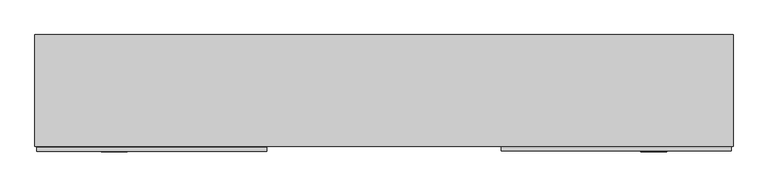
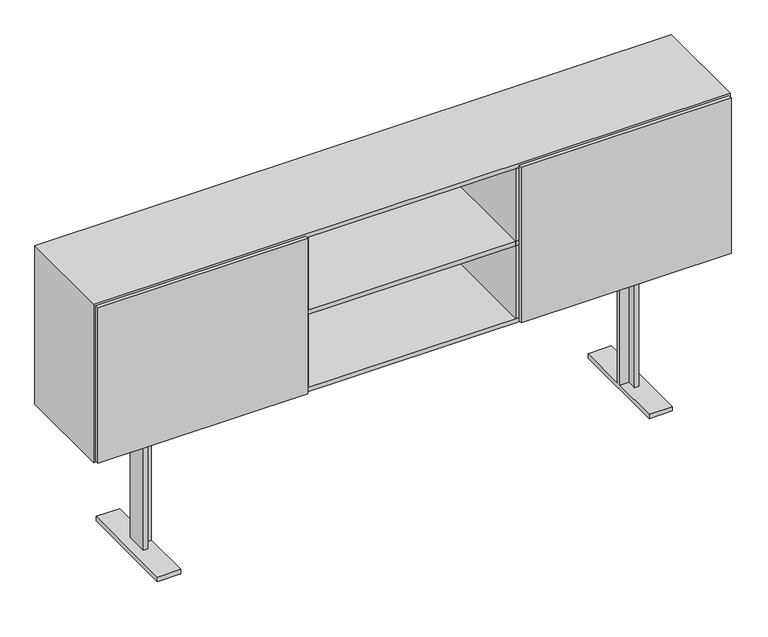
"""IFC4 building model written with IfcOpenShell, lengths in millimetres: furniture geometry."""

from ifc_helpers import new_model, si_unit, frame, origin, place, context, project, spatial, polyline, outline, extrude, faceted_brep, source, transform, mapped, element, save


def furniture_0869c646(model_context):
    return source(origin(), model_context, "Body", "SolidModel", [
        extrude(outline(polyline([(-453.0720026, 14.0619413), (-453.0720026, -0.9392987), (-1343.025, -0.9392987), (-1343.025, 14.0619413), (-453.0720026, 14.0619413)])), frame((0.0, 0.0, 615.95), z_axis=(0.0, 0.0, 1.0), x_axis=(1.0, 0.0, 0.0)), (0.0, 0.0, 1.0), 698.5),
        extrude(outline(polyline([(1343.025, 15.9405387), (1343.025, 0.9392987), (453.0720026, 0.9392987), (453.0720026, 15.9405387), (1343.025, 15.9405387)])), frame((0.0, 0.0, 615.95), z_axis=(0.0, 0.0, 1.0), x_axis=(1.0, 0.0, 0.0)), (0.0, 0.0, 1.0), 698.5),
        extrude(outline(polyline([(1330.325, 19.0420174), (-1330.325, 19.0420174), (-1330.325, 431.8), (1330.325, 431.8), (1330.325, 19.0420174)])), frame((0.0, 0.0, 955.675), z_axis=(0.0, 0.0, 1.0), x_axis=(1.0, 0.0, 0.0)), (0.0, 0.0, 1.0), 19.05),
        extrude(outline(polyline([(459.3166667, 19.0739478), (440.2666667, 19.0739478), (440.2666667, 423.0566059), (459.3166667, 423.0566059), (459.3166667, 19.0739478)])), frame((0.0, 0.0, 628.65), z_axis=(0.0, 0.0, 1.0), x_axis=(1.0, 0.0, 0.0)), (0.0, 0.0, 1.0), 673.1),
        extrude(outline(polyline([(-440.2666667, 19.0739478), (-459.3166667, 19.0739478), (-459.3166667, 423.0566059), (-440.2666667, 423.0566059), (-440.2666667, 19.0739478)])), frame((0.0, 0.0, 628.65), z_axis=(0.0, 0.0, 1.0), x_axis=(1.0, 0.0, 0.0)), (0.0, 0.0, 1.0), 673.1),
        faceted_brep([(1349.375, 19.0420174, 1320.8), (-1349.375, 19.0420174, 1320.8), (-1349.375, 19.0420174, 609.6), (1349.375, 19.0420174, 609.6), (-1330.325, 19.0420174, 1301.75), (1330.325, 19.0420174, 1301.75), (1330.325, 19.0420174, 628.65), (-1330.325, 19.0420174, 628.65), (1349.375, 450.85, 1320.8), (1349.375, 450.85, 609.6), (-1349.375, 450.85, 609.6), (-1349.375, 450.85, 1320.8), (-1330.325, 431.8, 1301.75), (1330.325, 431.8, 1301.75), (1330.325, 431.8, 628.65), (-1330.325, 431.8, 628.65)], [[[0, 1, 2, 3], [4, 5, 6, 7]], [[8, 9, 10, 11]], [[1, 0, 8, 11]], [[2, 1, 11, 10]], [[3, 2, 10, 9]], [[0, 3, 9, 8]], [[5, 4, 12, 13]], [[6, 5, 13, 14]], [[7, 6, 14, 15]], [[4, 7, 15, 12]], [[13, 12, 15, 14]]]),
        faceted_brep([(-1050.8500108, 171.1108775, 609.6), (-1031.8000108, 171.1108775, 609.6), (-1031.8000108, 211.6109348, 609.6), (1031.8000108, 211.6109348, 609.6), (1031.8000108, 171.1108775, 609.6), (1050.8500108, 171.1108775, 609.6), (1050.8500108, 269.1160418, 609.6), (1031.8000108, 269.1160418, 609.6), (1031.8000108, 230.9134, 609.6), (-1031.8000108, 230.9134, 609.6), (-1031.8000108, 269.1160418, 609.6), (-1050.8500108, 269.1160418, 609.6), (-1050.8500108, 171.1108775, 19.8859728), (-1031.8000108, 171.1108775, 19.8859728), (-1031.8000108, 211.6109348, 19.8859728), (-993.3499595, 211.6109348, 558.8), (993.3499595, 211.6109348, 558.8), (993.3499595, 211.6109348, 19.8859728), (1031.8000108, 211.6109348, 19.8859728), (-993.3499595, 211.6109348, 19.8859728), (-993.3499595, 230.9134, 558.8), (-993.3499595, -3.1790836, 19.8859728), (-993.3499595, -3.1790836, 0.0), (-993.3499595, 445.4008393, 0.0), (-993.3499595, 445.4008393, 19.8859728), (-993.3499595, 230.9134, 19.8859728), (993.3499595, 230.9134, 558.8), (-1031.8000108, 230.9134, 19.8859728), (1031.8000108, 230.9134, 19.8859728), (993.3499595, 230.9134, 19.8859728), (-1031.8000108, 269.1160418, 19.8859728), (-1050.8500108, 269.1160418, 19.8859728), (1031.8000108, 171.1108775, 19.8859728), (1050.8500108, 171.1108775, 19.8859728), (993.3499595, 445.4008393, 19.8859728), (993.3499595, 445.4008393, 0.0), (993.3499595, -3.1790836, 0.0), (993.3499595, -3.1790836, 19.8859728), (1031.8000108, 269.1160418, 19.8859728), (1050.8500108, 269.1160418, 19.8859728), (-1092.3500213, 445.4008393, 19.8859728), (-1092.3500213, -3.1790836, 19.8859728), (-1092.3500213, -3.1790836, 0.0), (-1092.3500213, 445.4008393, 0.0), (1092.3500213, -3.1790836, 19.8859728), (1092.3500213, 445.4008393, 19.8859728), (1092.3500213, 445.4008393, 0.0), (1092.3500213, -3.1790836, 0.0)], [[[0, 1, 2, 3, 4, 5, 6, 7, 8, 9, 10, 11]], [[1, 0, 12, 13]], [[2, 1, 13, 14]], [[15, 16, 17, 18, 3, 2, 14, 19]], [[20, 15, 19, 21, 22, 23, 24, 25]], [[26, 20, 25, 27, 9, 8, 28, 29]], [[10, 9, 27, 30]], [[11, 10, 30, 31]], [[0, 11, 31, 12]], [[20, 26, 16, 15]], [[5, 4, 32, 33]], [[4, 3, 18, 32]], [[26, 29, 34, 35, 36, 37, 17, 16]], [[8, 7, 38, 28]], [[7, 6, 39, 38]], [[6, 5, 33, 39]], [[24, 40, 41, 21, 19, 14, 13, 12, 31, 30, 27, 25]], [[23, 22, 42, 43]], [[40, 24, 23, 43]], [[41, 40, 43, 42]], [[21, 41, 42, 22]], [[37, 44, 45, 34, 29, 28, 38, 39, 33, 32, 18, 17]], [[35, 46, 47, 36]], [[34, 45, 46, 35]], [[45, 44, 47, 46]], [[44, 37, 36, 47]]]),
    ])


if __name__ == "__main__":
    model = new_model("IFC4")
    model_context = context("Model", 3, world=origin())
    ifc_project = project(units=[si_unit("LENGTHUNIT", "METRE", prefix="MILLI")], contexts=[model_context])
    site = spatial("IfcSite", under=ifc_project)
    building = spatial("IfcBuilding", under=site)
    placement = place(None, origin())
    furniture_shape = furniture_0869c646(model_context)
    element("IfcFurniture", 1, at=placement, inside=building, context=model_context, shape_type="MappedRepresentation", body=[
        mapped(furniture_shape, transform((0.0, 0.0, 0.0), x_axis=(1.0, 0.0, 0.0), y_axis=(0.0, 1.0, 0.0), z_axis=(0.0, 0.0, 1.0))),
    ])
    save(model, "model.ifc")
